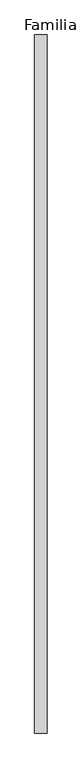
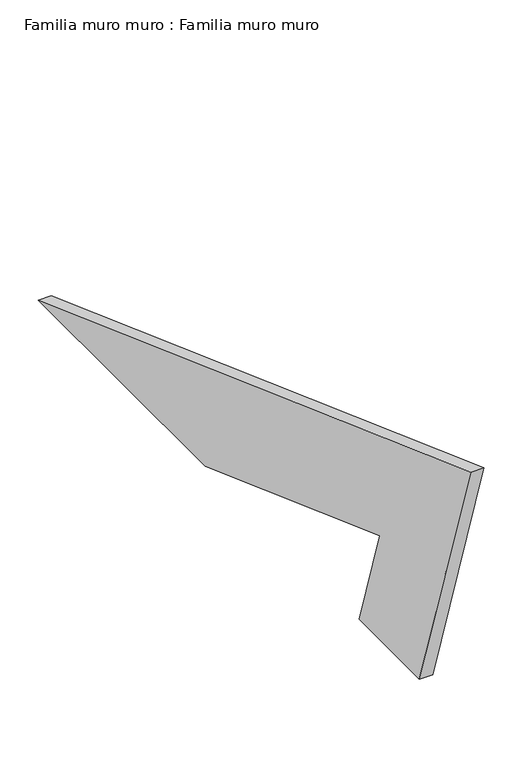
"""IFC4 building model written with IfcOpenShell, lengths in millimetres: plate geometry, Familia muro muro : Familia muro muro."""

from ifc_helpers import new_model, si_unit, frame, origin, place, context, project, spatial, polyline, outline, extrude, source, transform, mapped, element, save


def familia_muro_muro_familia_muro_muro_707b4d92(model_context):
    return source(origin(), model_context, "Body", "SweptSolid", [
        extrude(outline(polyline([(-1134.1225817, 412.7868618), (0.0, 0.0), (-438.57066, 0.0), (-896.4272947, 166.6461866), (-842.2806664, 0.0), (-1000.0, 0.0), (-1134.1225817, 412.7868618)])), frame((0.0, 0.0, 0.0), z_axis=(1.0, 0.0, 0.0), x_axis=(0.0, 1.0, 0.0)), (0.0, 0.0, 1.0), 20.0),
    ])


if __name__ == "__main__":
    model = new_model("IFC4")
    model_context = context("Model", 3, world=origin())
    ifc_project = project(units=[si_unit("LENGTHUNIT", "METRE", prefix="MILLI")], contexts=[model_context])
    site = spatial("IfcSite", under=ifc_project)
    building = spatial("IfcBuilding", under=site)
    placement = place(None, origin())
    familia_muro_muro_familia_muro_muro_shape = familia_muro_muro_familia_muro_muro_707b4d92(model_context)
    element("IfcPlate", 1, ObjectType="Familia muro muro : Familia muro muro", at=placement, inside=building, context=model_context, shape_type="MappedRepresentation", body=[
        mapped(familia_muro_muro_familia_muro_muro_shape, transform((0.0, 0.0, 0.0), x_axis=(1.0, 0.0, 0.0), y_axis=(0.0, 1.0, 0.0), z_axis=(0.0, 0.0, 1.0))),
    ])
    save(model, "model.ifc")
